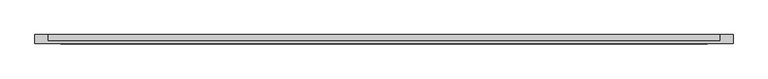
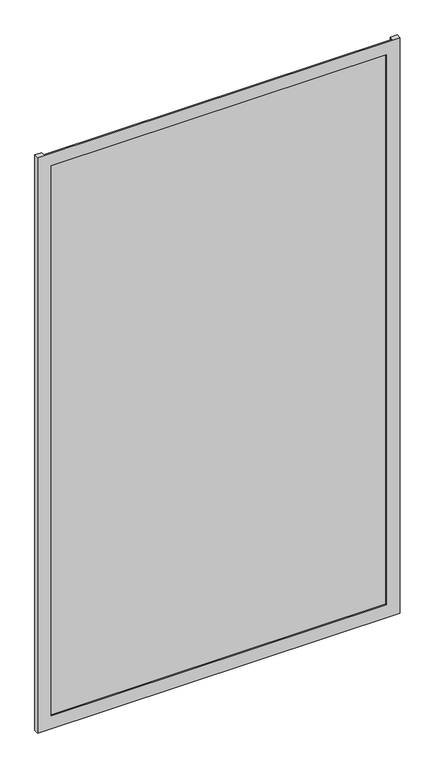
"""IFC4 building model written with IfcOpenShell, lengths in millimetres: plate geometry."""

from ifc_helpers import new_model, si_unit, origin, origin_with_axes, place, context, project, spatial, polyline, outline, extrude, faceted_brep, source, transform, mapped, element, save


def plate_78a774c8(model_context):
    return source(origin(), model_context, "Body", "SolidModel", [
        faceted_brep([(675.0, -50.8, -50.0), (675.0, -68.2, -50.0), (-675.0, -68.2, -50.0), (-675.0, -50.8, -50.0), (-650.0, -50.8, -50.0), (-650.0, -63.2, -50.0), (650.0, -63.2, -50.0), (650.0, -50.8, -50.0), (625.0, -68.2, 0.0), (625.0, -63.2, 0.0), (-625.0, -63.2, 0.0), (-625.0, -68.2, 0.0), (675.0, -68.2, 2215.0), (-675.0, -68.2, 2215.0), (-625.0, -68.2, 2165.0), (625.0, -68.2, 2165.0), (-650.0, -63.2, 2215.0), (650.0, -63.2, 2215.0), (625.0, -63.2, 2165.0), (-625.0, -63.2, 2165.0), (675.0, -50.8, 2215.0), (650.0, -50.8, 2215.0), (-650.0, -50.8, 2215.0), (-675.0, -50.8, 2215.0)], [[[0, 1, 2, 3, 4, 5, 6, 7]], [[8, 9, 10, 11]], [[12, 13, 2, 1], [11, 14, 15, 8]], [[16, 17, 6, 5], [9, 18, 19, 10]], [[20, 21, 17, 16, 22, 23, 13, 12]], [[20, 0, 7, 21]], [[21, 7, 6, 17]], [[8, 15, 18, 9]], [[12, 1, 0, 20]], [[22, 4, 3, 23]], [[16, 5, 4, 22]], [[10, 19, 14, 11]], [[23, 3, 2, 13]], [[18, 15, 14, 19]]]),
        extrude(outline(polyline([(650.0, -50.8), (650.0, -63.2), (-650.0, -63.2), (-650.0, -50.8), (650.0, -50.8)])), origin_with_axes(), (0.0, 0.0, 1.0), 2165.0),
    ])


if __name__ == "__main__":
    model = new_model("IFC4")
    model_context = context("Model", 3, world=origin())
    ifc_project = project(units=[si_unit("LENGTHUNIT", "METRE", prefix="MILLI")], contexts=[model_context])
    site = spatial("IfcSite", under=ifc_project)
    building = spatial("IfcBuilding", under=site)
    placement = place(None, origin())
    plate_shape = plate_78a774c8(model_context)
    element("IfcPlate", 1, at=placement, inside=building, context=model_context, shape_type="MappedRepresentation", body=[
        mapped(plate_shape, transform((0.0, 0.0, 0.0), x_axis=(1.0, 0.0, 0.0), y_axis=(0.0, 1.0, 0.0), z_axis=(0.0, 0.0, 1.0))),
    ])
    save(model, "model.ifc")
